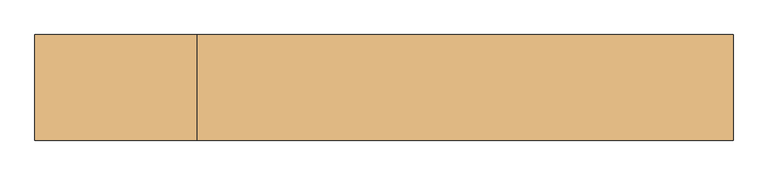
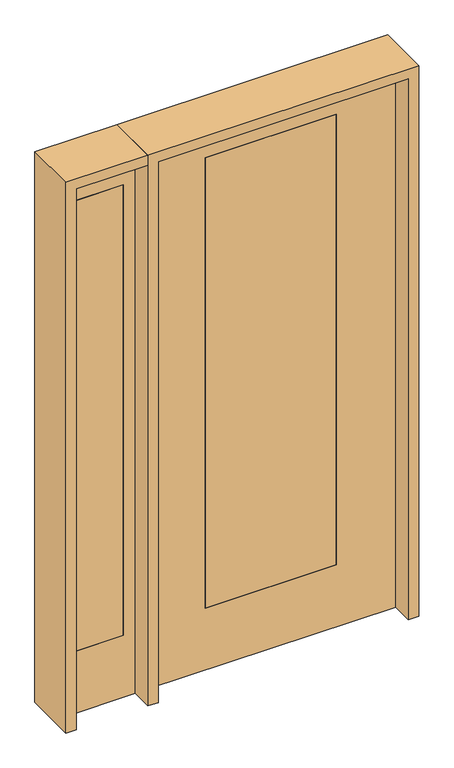
"""IFC4 building model written with IfcOpenShell, lengths in millimetres: door geometry."""

from ifc_helpers import new_model, si_unit, frame, origin, place, context, project, spatial, polyline, outline, extrude, source, transform, mapped, element, save


def door_f7ed162e(model_context):
    return source(origin(), model_context, "Body", "SweptSolid", [
        extrude(outline(polyline([(-628.65, -20.6375), (-831.85, -20.6375), (-831.85, 20.6375), (-628.65, 20.6375), (-628.65, -20.6375)])), frame((0.0, 0.0, 279.4), z_axis=(0.0, 0.0, 1.0), x_axis=(1.0, 0.0, 0.0)), (0.0, 0.0, 1.0), 2032.0),
        extrude(outline(polyline([(0.0, -882.65), (0.0, -577.85), (2438.4, -577.85), (2438.4, -882.65), (0.0, -882.65)]), holes=[polyline([(2311.4, -628.65), (279.4, -628.65), (279.4, -831.85), (2311.4, -831.85), (2311.4, -628.65)])]), frame((0.0, -20.6375, 0.0), z_axis=(0.0, 1.0, 0.0), x_axis=(0.0, 0.0, 1.0)), (0.0, 0.0, 1.0), 41.275),
        extrude(outline(polyline([(2438.4, 533.4), (2438.4, -533.4), (0.0, -533.4), (0.0, 533.4), (2438.4, 533.4)]), holes=[polyline([(279.4, 279.4), (279.4, -279.4), (2311.4, -279.4), (2311.4, 279.4), (279.4, 279.4)])]), frame((0.0, -20.6375, 0.0), z_axis=(0.0, 1.0, 0.0), x_axis=(0.0, 0.0, 1.0)), (0.0, 0.0, 1.0), 41.275),
        extrude(outline(polyline([(279.4, -20.6375), (-279.4, -20.6375), (-279.4, 20.6375), (279.4, 20.6375), (279.4, -20.6375)])), frame((0.0, 0.0, 279.4), z_axis=(0.0, 0.0, 1.0), x_axis=(1.0, 0.0, 0.0)), (0.0, 0.0, 1.0), 2032.0),
        extrude(outline(polyline([(2438.4, -577.85), (2482.85, -577.85), (2482.85, -927.1), (0.0, -927.1), (0.0, -882.65), (2438.4, -882.65), (2438.4, -577.85)])), frame((0.0, -114.3, 0.0), z_axis=(0.0, 1.0, 0.0), x_axis=(0.0, 0.0, 1.0)), (0.0, 0.0, 1.0), 228.6),
        extrude(outline(polyline([(2482.85, -577.85), (0.0, -577.85), (0.0, -533.4), (2438.4, -533.4), (2438.4, 533.4), (0.0, 533.4), (0.0, 577.85), (2482.85, 577.85), (2482.85, -577.85)])), frame((0.0, -114.3, 0.0), z_axis=(0.0, 1.0, 0.0), x_axis=(0.0, 0.0, 1.0)), (0.0, 0.0, 1.0), 228.6),
    ])


if __name__ == "__main__":
    model = new_model("IFC4")
    model_context = context("Model", 3, world=origin())
    ifc_project = project(units=[si_unit("LENGTHUNIT", "METRE", prefix="MILLI")], contexts=[model_context])
    site = spatial("IfcSite", under=ifc_project)
    building = spatial("IfcBuilding", under=site)
    placement = place(None, origin())
    door_shape = door_f7ed162e(model_context)
    element("IfcDoor", 1, at=placement, inside=building, context=model_context, shape_type="MappedRepresentation", body=[
        mapped(door_shape, transform((0.0, 0.0, 0.0), x_axis=(1.0, 0.0, 0.0), y_axis=(0.0, 1.0, 0.0), z_axis=(0.0, 0.0, 1.0))),
    ])
    save(model, "model.ifc")
